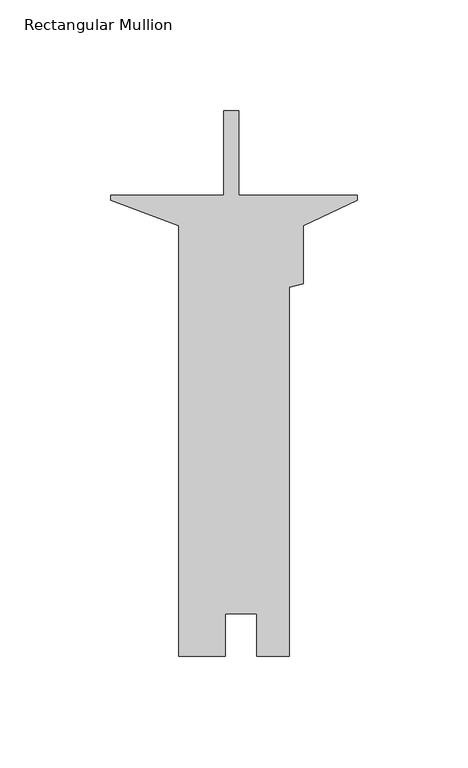
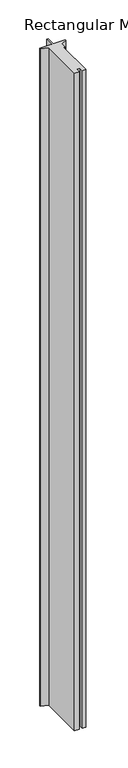
"""IFC4 building model written with IfcOpenShell, lengths in millimetres: member geometry, Rectangular Mullion."""

from ifc_helpers import new_model, si_unit, frame, origin, place, context, project, spatial, polyline, outline, extrude, source, transform, mapped, element, save


def rectangular_mullion_d8bf0188(model_context):
    return source(origin(), model_context, "Body", "SweptSolid", [
        extrude(outline(polyline([(-59.5756934, -207.9625467), (-80.4545, -207.9625467), (-80.4545, -13.8164843), (-111.125, -2.3800267), (-111.125, 0.0012233), (-60.2059375, 0.0012233), (-60.2059375, 38.0999969), (-53.4749375, 38.0999969), (-53.4749375, 0.0012233), (0.0, 0.0012233), (0.0, -2.3800267), (-24.3205, -13.6716874), (-24.3205, -39.9380593), (-30.6705, -41.6395367), (-30.6705, -207.962548), (-45.2628, -207.962548), (-45.2628, -188.937948), (-59.5756934, -188.937948), (-59.5756934, -207.9625467)])), frame((0.0, 0.0, -3048.0), z_axis=(0.0, 0.0, 1.0), x_axis=(1.0, 0.0, 0.0)), (0.0, 0.0, 1.0), 3048.0),
    ])


if __name__ == "__main__":
    model = new_model("IFC4")
    model_context = context("Model", 3, world=origin())
    ifc_project = project(units=[si_unit("LENGTHUNIT", "METRE", prefix="MILLI")], contexts=[model_context])
    site = spatial("IfcSite", under=ifc_project)
    building = spatial("IfcBuilding", under=site)
    placement = place(None, origin())
    rectangular_mullion_shape = rectangular_mullion_d8bf0188(model_context)
    element("IfcMember", 1, ObjectType="Rectangular Mullion", at=placement, inside=building, context=model_context, shape_type="MappedRepresentation", body=[
        mapped(rectangular_mullion_shape, transform((0.0, 0.0, 0.0), x_axis=(1.0, 0.0, 0.0), y_axis=(0.0, 1.0, 0.0), z_axis=(0.0, 0.0, 1.0))),
    ])
    save(model, "model.ifc")
